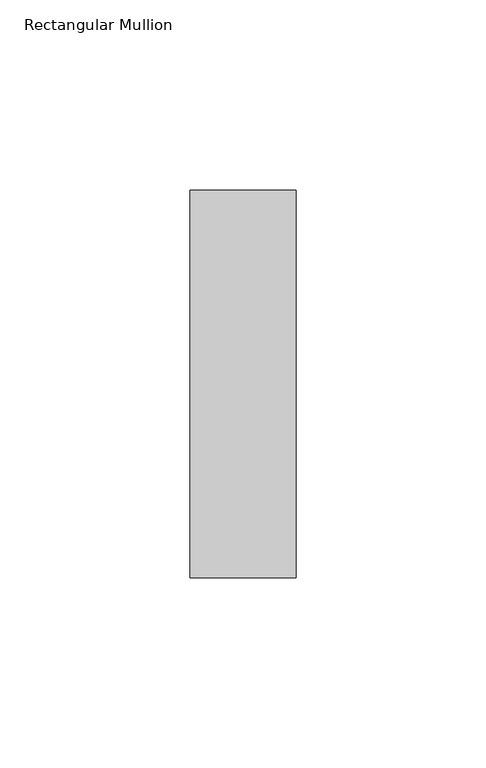
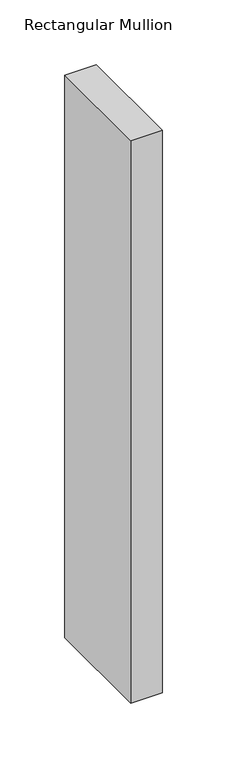
"""IFC4 building model written with IfcOpenShell, lengths in millimetres: member geometry, Rectangular Mullion."""

from ifc_helpers import new_model, si_unit, frame, origin, place, context, project, spatial, polyline, outline, extrude, source, transform, mapped, element, save


def rectangular_mullion_93eaa3e4(model_context):
    return source(origin(), model_context, "Body", "SweptSolid", [
        extrude(outline(polyline([(0.0, -51.0), (-28.0, -51.0), (-28.0, 51.0), (0.0, 51.0), (0.0, -51.0)])), frame((0.0, 0.0, -530.404515), z_axis=(0.0, 0.0, 1.0), x_axis=(1.0, 0.0, 0.0)), (0.0, 0.0, 1.0), 530.404515),
    ])


if __name__ == "__main__":
    model = new_model("IFC4")
    model_context = context("Model", 3, world=origin())
    ifc_project = project(units=[si_unit("LENGTHUNIT", "METRE", prefix="MILLI")], contexts=[model_context])
    site = spatial("IfcSite", under=ifc_project)
    building = spatial("IfcBuilding", under=site)
    placement = place(None, origin())
    rectangular_mullion_shape = rectangular_mullion_93eaa3e4(model_context)
    element("IfcMember", 1, ObjectType="Rectangular Mullion", at=placement, inside=building, context=model_context, shape_type="MappedRepresentation", body=[
        mapped(rectangular_mullion_shape, transform((0.0, 0.0, 0.0), x_axis=(1.0, 0.0, 0.0), y_axis=(0.0, 1.0, 0.0), z_axis=(0.0, 0.0, 1.0))),
    ])
    save(model, "model.ifc")
